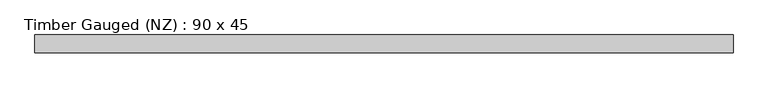
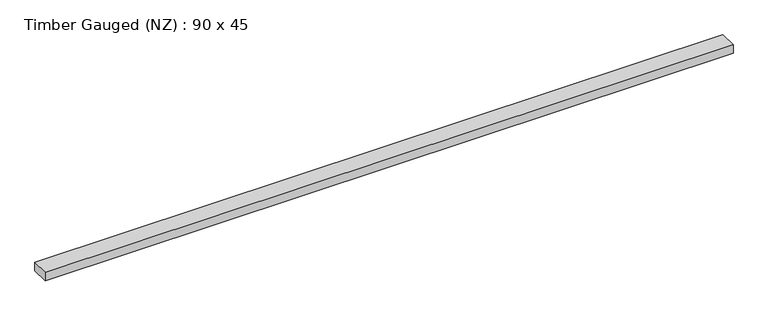
"""IFC4 building model written with IfcOpenShell, lengths in millimetres: beam geometry, Timber Gauged (NZ) : 90 x 45."""

from ifc_helpers import new_model, si_unit, frame, origin, place, context, project, spatial, polyline, outline, extrude, source, transform, mapped, element, save


def timber_gauged_nz_90_x_45_be0470ee(model_context):
    return source(origin(), model_context, "Body", "SweptSolid", [
        extrude(outline(polyline([(1786.3502099, 45.0), (1786.3502099, -45.0), (-1742.1292173, -45.0), (-1742.1292173, 45.0), (1786.3502099, 45.0)])), frame((0.0, 0.0, -22.5), z_axis=(0.0, 0.0, 1.0), x_axis=(1.0, 0.0, 0.0)), (0.0, 0.0, 1.0), 45.0),
    ])


if __name__ == "__main__":
    model = new_model("IFC4")
    model_context = context("Model", 3, world=origin())
    ifc_project = project(units=[si_unit("LENGTHUNIT", "METRE", prefix="MILLI")], contexts=[model_context])
    site = spatial("IfcSite", under=ifc_project)
    building = spatial("IfcBuilding", under=site)
    placement = place(None, origin())
    timber_gauged_nz_90_x_45_shape = timber_gauged_nz_90_x_45_be0470ee(model_context)
    element("IfcBeam", 1, ObjectType="Timber Gauged (NZ) : 90 x 45", at=placement, inside=building, context=model_context, shape_type="MappedRepresentation", body=[
        mapped(timber_gauged_nz_90_x_45_shape, transform((0.0, 0.0, 0.0), x_axis=(1.0, 0.0, 0.0), y_axis=(0.0, 1.0, 0.0), z_axis=(0.0, 0.0, 1.0))),
    ])
    save(model, "model.ifc")
